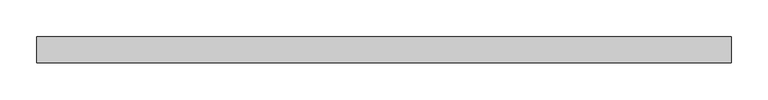
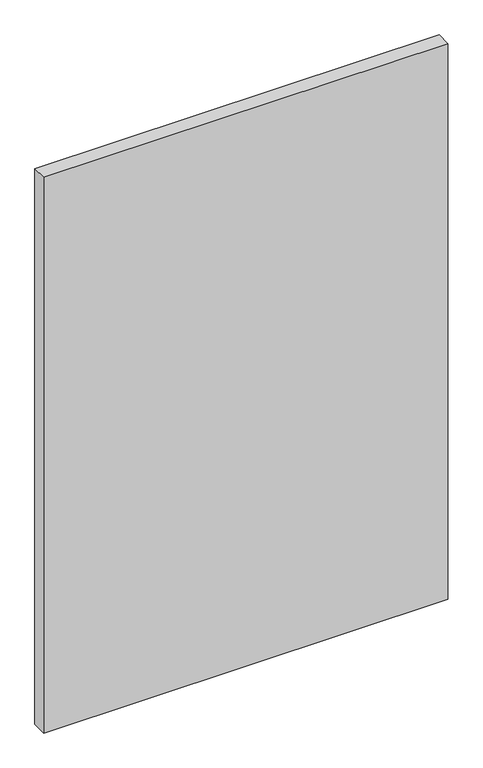
"""IFC4 building model written with IfcOpenShell, lengths in millimetres: plate geometry."""

from ifc_helpers import new_model, si_unit, origin, origin_with_axes, place, context, project, spatial, polyline, outline, extrude, source, transform, mapped, element, save


def plate_bc4d1689(model_context):
    return source(origin(), model_context, "Body", "SweptSolid", [
        extrude(outline(polyline([(471.5178571, -17.5), (-471.5178571, -17.5), (-471.5178571, 17.5), (471.5178571, 17.5), (471.5178571, -17.5)])), origin_with_axes(), (0.0, 0.0, 1.0), 1370.0),
    ])


if __name__ == "__main__":
    model = new_model("IFC4")
    model_context = context("Model", 3, world=origin())
    ifc_project = project(units=[si_unit("LENGTHUNIT", "METRE", prefix="MILLI")], contexts=[model_context])
    site = spatial("IfcSite", under=ifc_project)
    building = spatial("IfcBuilding", under=site)
    placement = place(None, origin())
    plate_shape = plate_bc4d1689(model_context)
    element("IfcPlate", 1, at=placement, inside=building, context=model_context, shape_type="MappedRepresentation", body=[
        mapped(plate_shape, transform((0.0, 0.0, 0.0), x_axis=(1.0, 0.0, 0.0), y_axis=(0.0, 1.0, 0.0), z_axis=(0.0, 0.0, 1.0))),
    ])
    save(model, "model.ifc")
